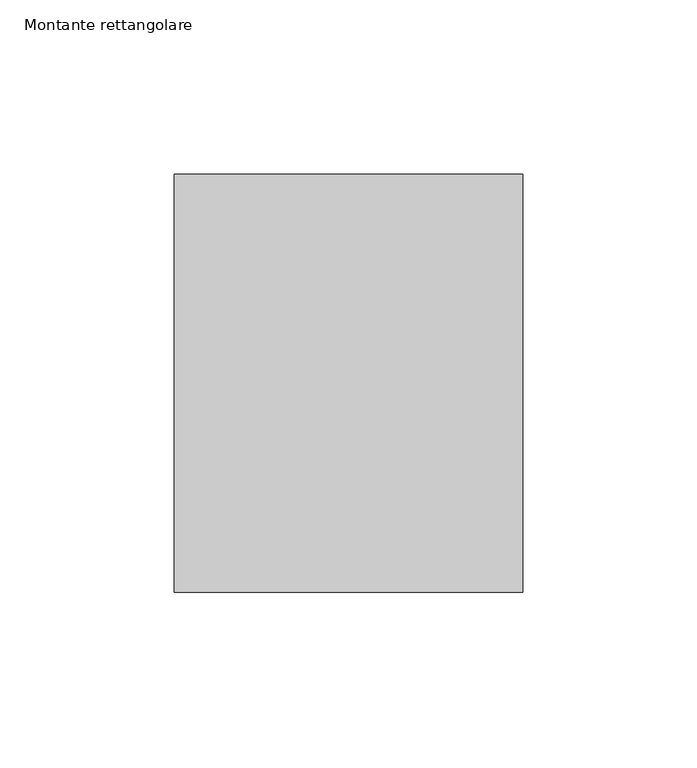
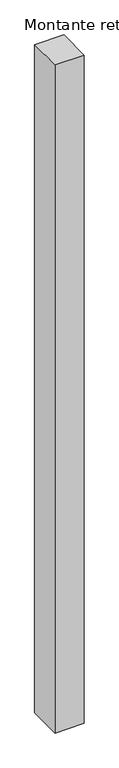
"""IFC4 building model written with IfcOpenShell, lengths in millimetres: member geometry, Montante rettangolare."""

from ifc_helpers import new_model, si_unit, frame, origin, place, context, project, spatial, polyline, outline, extrude, source, transform, mapped, element, save


def montante_rettangolare_bf3239cd(model_context):
    return source(origin(), model_context, "Body", "SweptSolid", [
        extrude(outline(polyline([(50.0, 60.0), (50.0, -60.0), (-50.0, -60.0), (-50.0, 60.0), (50.0, 60.0)])), frame((0.0, 0.0, -2417.5525218), z_axis=(0.0, 0.0, 1.0), x_axis=(1.0, 0.0, 0.0)), (0.0, 0.0, 1.0), 2417.5525218),
    ])


if __name__ == "__main__":
    model = new_model("IFC4")
    model_context = context("Model", 3, world=origin())
    ifc_project = project(units=[si_unit("LENGTHUNIT", "METRE", prefix="MILLI")], contexts=[model_context])
    site = spatial("IfcSite", under=ifc_project)
    building = spatial("IfcBuilding", under=site)
    placement = place(None, origin())
    montante_rettangolare_shape = montante_rettangolare_bf3239cd(model_context)
    element("IfcMember", 1, ObjectType="Montante rettangolare", at=placement, inside=building, context=model_context, shape_type="MappedRepresentation", body=[
        mapped(montante_rettangolare_shape, transform((0.0, 0.0, 0.0), x_axis=(1.0, 0.0, 0.0), y_axis=(0.0, 1.0, 0.0), z_axis=(0.0, 0.0, 1.0))),
    ])
    save(model, "model.ifc")
